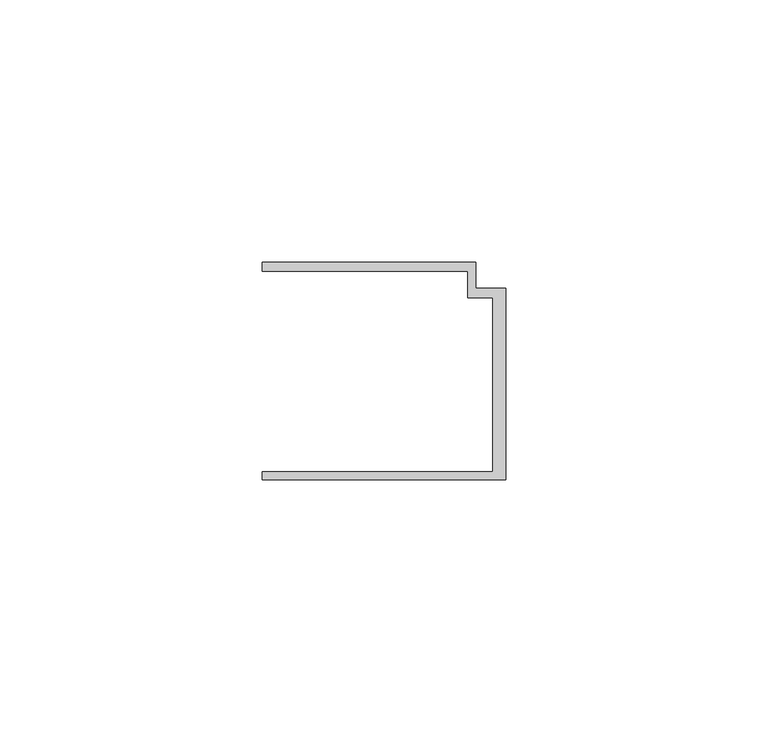
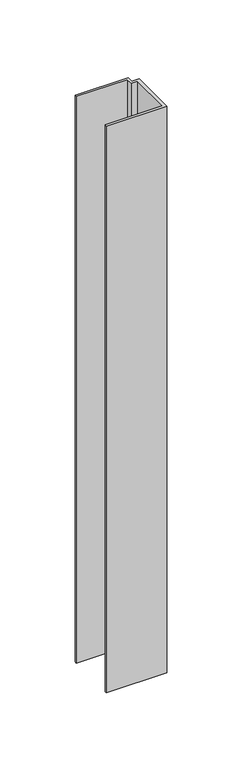
"""IFC4 building model written with IfcOpenShell, lengths in millimetres: member geometry."""

from ifc_helpers import new_model, si_unit, frame, origin, place, context, project, spatial, polyline, outline, extrude, source, transform, mapped, element, save


def member_307c431a(model_context):
    return source(origin(), model_context, "Body", "SweptSolid", [
        extrude(outline(polyline([(-46.3, -19.2), (-2.4, -19.2), (-2.4, 14.0), (-7.2, 14.0), (-7.2, 19.0), (-46.3, 19.0), (-46.3, 20.7), (-5.6999992, 20.7), (-5.6999992, 15.8), (0.0, 15.8), (0.0, -20.7), (-46.3, -20.7), (-46.3, -19.2)])), frame((0.0, 0.0, -460.3602632), z_axis=(0.0, 0.0, 1.0), x_axis=(1.0, 0.0, 0.0)), (0.0, 0.0, 1.0), 460.3602632),
    ])


if __name__ == "__main__":
    model = new_model("IFC4")
    model_context = context("Model", 3, world=origin())
    ifc_project = project(units=[si_unit("LENGTHUNIT", "METRE", prefix="MILLI")], contexts=[model_context])
    site = spatial("IfcSite", under=ifc_project)
    building = spatial("IfcBuilding", under=site)
    placement = place(None, origin())
    member_shape = member_307c431a(model_context)
    element("IfcMember", 1, at=placement, inside=building, context=model_context, shape_type="MappedRepresentation", body=[
        mapped(member_shape, transform((0.0, 0.0, 0.0), x_axis=(1.0, 0.0, 0.0), y_axis=(0.0, 1.0, 0.0), z_axis=(0.0, 0.0, 1.0))),
    ])
    save(model, "model.ifc")
